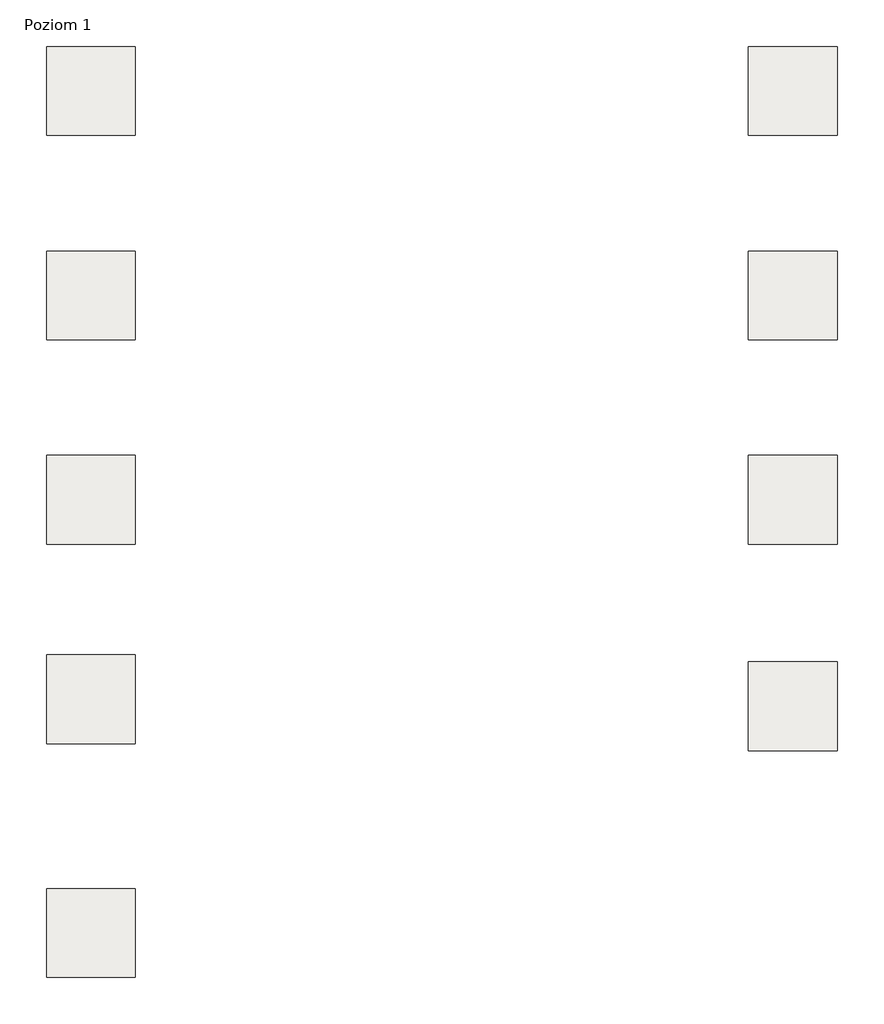
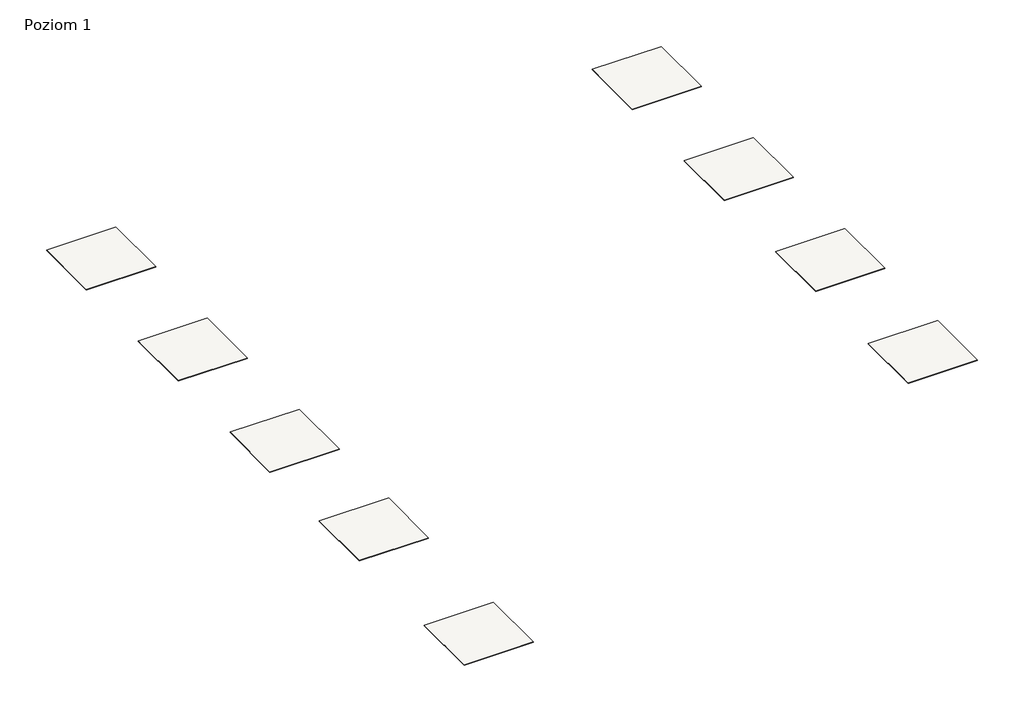
# One storey: 9 slabs.
"""IFC4 building model written with IfcOpenShell, lengths in millimetres."""

from ifc_helpers import new_model, si_unit, frame, origin, place, context, project, spatial, polyline, outline, extrude, element, save

model = new_model("IFC4")

# Units and contexts
model_context = context("Model", 3, world=origin())
ifc_project = project(units=[si_unit("LENGTHUNIT", "METRE", prefix="MILLI")], contexts=[model_context])

# Site, building, storey
site = spatial("IfcSite", under=ifc_project)
building = spatial("IfcBuilding", under=site)
storey = spatial("IfcBuildingStorey", under=building, Name="Poziom 1", Elevation=0.0)

# Slabs
placement = place(None, origin())
element("IfcSlab", 1, at=placement, inside=storey, context=model_context, shape_type="SweptSolid", body=[
    extrude(outline(polyline([(3036.5009197, 24640.1445193), (3036.5009197, 23640.1445193), (2036.5009197, 23640.1445193), (2036.5009197, 24640.1445193), (3036.5009197, 24640.1445193)])), frame((0.0, 0.0, -8.0), z_axis=(0.0, 0.0, 1.0), x_axis=(1.0, 0.0, 0.0)), (0.0, 0.0, 1.0), 8.0),
])
element("IfcSlab", 2, at=placement, inside=storey, context=model_context, shape_type="SweptSolid", body=[
    extrude(outline(polyline([(3036.5009197, 22340.1445193), (3036.5009197, 21340.1445193), (2036.5009197, 21340.1445193), (2036.5009197, 22340.1445193), (3036.5009197, 22340.1445193)])), frame((0.0, 0.0, -8.0), z_axis=(0.0, 0.0, 1.0), x_axis=(1.0, 0.0, 0.0)), (0.0, 0.0, 1.0), 8.0),
])
element("IfcSlab", 3, at=placement, inside=storey, context=model_context, shape_type="SweptSolid", body=[
    extrude(outline(polyline([(3036.5009197, 20040.1445193), (3036.5009197, 19040.1445193), (2036.5009197, 19040.1445193), (2036.5009197, 20040.1445193), (3036.5009197, 20040.1445193)])), frame((0.0, 0.0, -8.0), z_axis=(0.0, 0.0, 1.0), x_axis=(1.0, 0.0, 0.0)), (0.0, 0.0, 1.0), 8.0),
])
element("IfcSlab", 4, at=placement, inside=storey, context=model_context, shape_type="SweptSolid", body=[
    extrude(outline(polyline([(10936.5009197, 24640.1445193), (10936.5009197, 23640.1445193), (9936.5009197, 23640.1445193), (9936.5009197, 24640.1445193), (10936.5009197, 24640.1445193)])), frame((0.0, 0.0, -8.0), z_axis=(0.0, 0.0, 1.0), x_axis=(1.0, 0.0, 0.0)), (0.0, 0.0, 1.0), 8.0),
])
element("IfcSlab", 5, at=placement, inside=storey, context=model_context, shape_type="SweptSolid", body=[
    extrude(outline(polyline([(10936.5009197, 22340.1445193), (10936.5009197, 21340.1445193), (9936.5009197, 21340.1445193), (9936.5009197, 22340.1445193), (10936.5009197, 22340.1445193)])), frame((0.0, 0.0, -8.0), z_axis=(0.0, 0.0, 1.0), x_axis=(1.0, 0.0, 0.0)), (0.0, 0.0, 1.0), 8.0),
])
element("IfcSlab", 6, at=placement, inside=storey, context=model_context, shape_type="SweptSolid", body=[
    extrude(outline(polyline([(10936.5009197, 20040.1445193), (10936.5009197, 19040.1445193), (9936.5009197, 19040.1445193), (9936.5009197, 20040.1445193), (10936.5009197, 20040.1445193)])), frame((0.0, 0.0, -8.0), z_axis=(0.0, 0.0, 1.0), x_axis=(1.0, 0.0, 0.0)), (0.0, 0.0, 1.0), 8.0),
])
element("IfcSlab", 7, at=placement, inside=storey, context=model_context, shape_type="SweptSolid", body=[
    extrude(outline(polyline([(3036.5009197, 17798.4197611), (3036.5009197, 16798.4197611), (2036.5009197, 16798.4197611), (2036.5009197, 17798.4197611), (3036.5009197, 17798.4197611)])), frame((0.0, 0.0, -8.0), z_axis=(0.0, 0.0, 1.0), x_axis=(1.0, 0.0, 0.0)), (0.0, 0.0, 1.0), 8.0),
])
element("IfcSlab", 8, at=placement, inside=storey, context=model_context, shape_type="SweptSolid", body=[
    extrude(outline(polyline([(10936.5009197, 17718.4197611), (10936.5009197, 16718.4197611), (9936.5009197, 16718.4197611), (9936.5009197, 17718.4197611), (10936.5009197, 17718.4197611)])), frame((0.0, 0.0, -8.0), z_axis=(0.0, 0.0, 1.0), x_axis=(1.0, 0.0, 0.0)), (0.0, 0.0, 1.0), 8.0),
])
element("IfcSlab", 9, at=placement, inside=storey, context=model_context, shape_type="SweptSolid", body=[
    extrude(outline(polyline([(3036.5009197, 15168.7914934), (3036.5009197, 14168.7914934), (2036.5009197, 14168.7914934), (2036.5009197, 15168.7914934), (3036.5009197, 15168.7914934)])), frame((0.0, 0.0, -8.0), z_axis=(0.0, 0.0, 1.0), x_axis=(1.0, 0.0, 0.0)), (0.0, 0.0, 1.0), 8.0),
])

save(model, "model.ifc")
